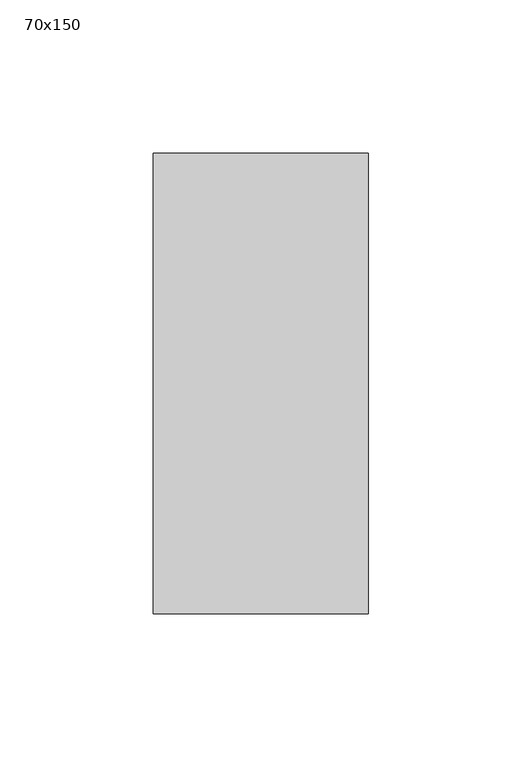
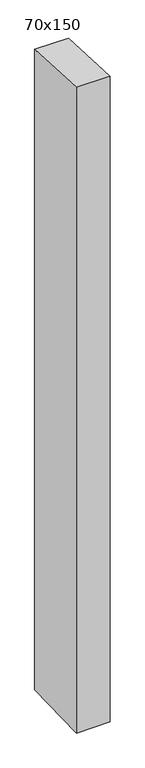
"""IFC4 building model written with IfcOpenShell, lengths in millimetres: member geometry, 70x150."""

from ifc_helpers import new_model, si_unit, frame, origin, place, context, project, spatial, polyline, outline, extrude, source, transform, mapped, element, save


def member_70x150_71c02b73(model_context):
    return source(origin(), model_context, "Body", "SweptSolid", [
        extrude(outline(polyline([(-75.0, 3.7398753), (75.0, -3.7398753), (75.0, -1412.7445087), (-75.0, -1417.2882072), (-75.0, 3.7398753)])), frame((-70.0, 0.0, 0.0), z_axis=(1.0, 0.0, 0.0), x_axis=(0.0, 1.0, 0.0)), (0.0, 0.0, 1.0), 70.0),
    ])


if __name__ == "__main__":
    model = new_model("IFC4")
    model_context = context("Model", 3, world=origin())
    ifc_project = project(units=[si_unit("LENGTHUNIT", "METRE", prefix="MILLI")], contexts=[model_context])
    site = spatial("IfcSite", under=ifc_project)
    building = spatial("IfcBuilding", under=site)
    placement = place(None, origin())
    member_70x150_shape = member_70x150_71c02b73(model_context)
    element("IfcMember", 1, ObjectType="70x150", at=placement, inside=building, context=model_context, shape_type="MappedRepresentation", body=[
        mapped(member_70x150_shape, transform((0.0, 0.0, 0.0), x_axis=(1.0, 0.0, 0.0), y_axis=(0.0, 1.0, 0.0), z_axis=(0.0, 0.0, 1.0))),
    ])
    save(model, "model.ifc")
